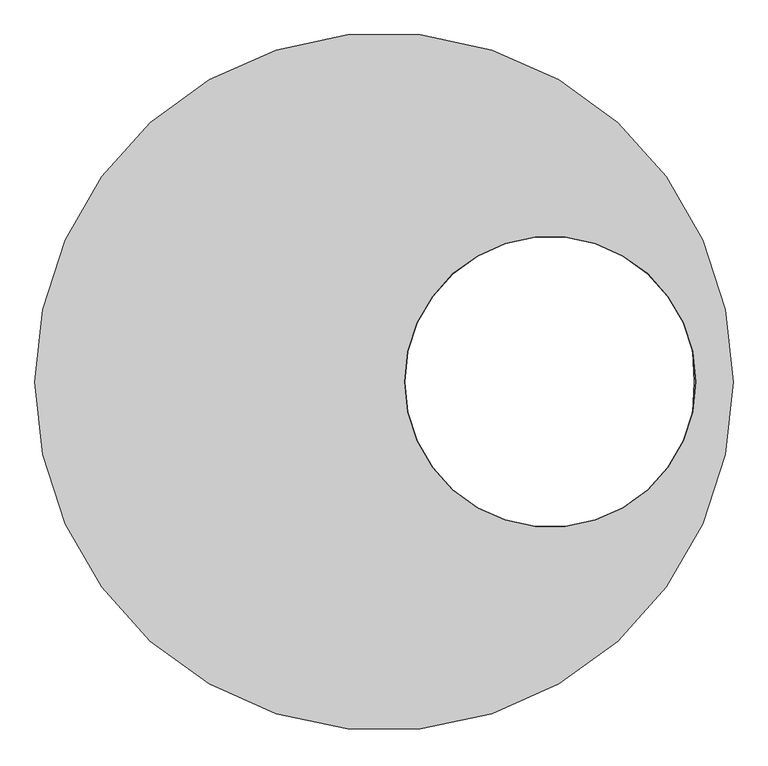
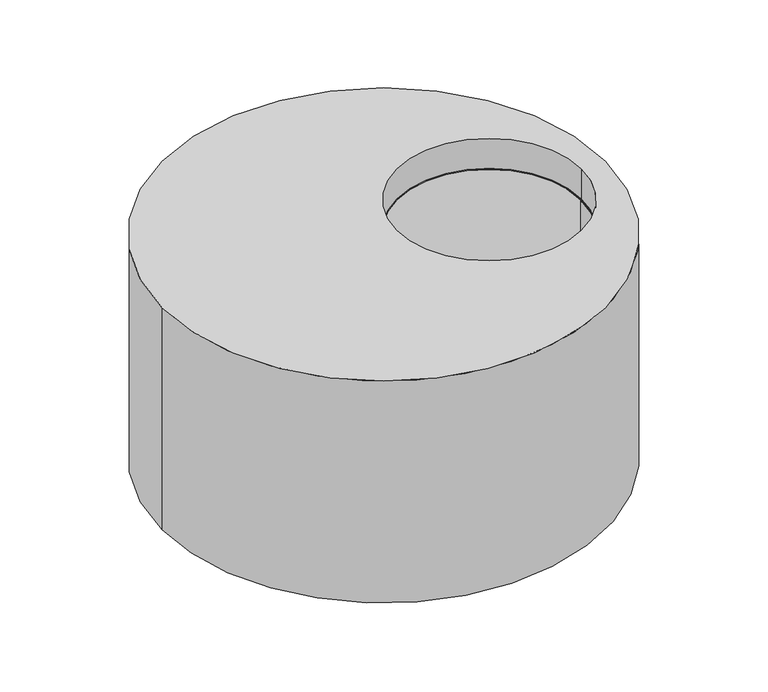
"""IFC4 building model written with IfcOpenShell, lengths in millimetres: proxy geometry."""

from ifc_helpers import new_model, si_unit, frame, origin, origin_with_axes, place, context, project, spatial, polyline, circle_curve, source, transform, mapped, element, save
from ifc_brep_helpers import plane_surface, cylinder_surface, revolved_surface, advanced_brep


def generic_models_10519006(model_context):
    return source(origin(), model_context, "Body", "AdvancedBrep", [
        advanced_brep(
        [(-746.0, 0.0, 766.0), (742.52, 71.9725614, 766.0), (50.0, 0.0, 766.0), (742.52, -71.9725614, 766.0), (-750.0, 0.0, 770.0), (750.0, 0.0, 770.0), (50.0, 0.0, 770.0), (-750.0, 0.0, 766.0), (750.0, 0.0, 766.0), (-750.0, 0.0, 0.0), (750.0, 0.0, 0.0), (-746.0, 0.0, 0.0), (746.0, 0.0, 0.0), (746.0, 0.0, 766.0), (750.0, 0.0, 766.0)],
        [
            (0, 1, circle_curve(frame((0.0, 0.0, 766.0), z_axis=(0.0, 0.0, -1.0), x_axis=(1.0, 0.0, 0.0)), 746.0)),
            (1, 2, circle_curve(frame((400.0, 0.0, 766.0), z_axis=(0.0, 0.0, 1.0), x_axis=(1.0, 0.0, 0.0)), 350.0)),
            (2, 3, circle_curve(frame((400.0, 0.0, 766.0), z_axis=(0.0, 0.0, 1.0), x_axis=(1.0, 0.0, 0.0)), 350.0)),
            (3, 0, circle_curve(frame((0.0, 0.0, 766.0), z_axis=(0.0, 0.0, -1.0), x_axis=(1.0, 0.0, 0.0)), 746.0)),
            (4, 5, circle_curve(frame((0.0, 0.0, 770.0), z_axis=(0.0, 0.0, 1.0), x_axis=(1.0, 0.0, 0.0)), 750.0)),
            (5, 6, circle_curve(frame((400.0, 0.0, 770.0), z_axis=(0.0, 0.0, -1.0), x_axis=(1.0, 0.0, 0.0)), 350.0)),
            (6, 5, circle_curve(frame((400.0, 0.0, 770.0), z_axis=(0.0, 0.0, -1.0), x_axis=(1.0, 0.0, 0.0)), 350.0)),
            (5, 4, circle_curve(frame((0.0, 0.0, 770.0), z_axis=(0.0, 0.0, 1.0), x_axis=(1.0, 0.0, 0.0)), 750.0)),
            (4, 7),
            (7, 8, circle_curve(frame((0.0, 0.0, 766.0), z_axis=(0.0, 0.0, 1.0), x_axis=(1.0, 0.0, 0.0)), 750.0)),
            (8, 5),
            (8, 7, circle_curve(frame((0.0, 0.0, 766.0), z_axis=(0.0, 0.0, 1.0), x_axis=(1.0, 0.0, 0.0)), 750.0)),
            (9, 10, circle_curve(frame((0.0, 0.0, 0.0), z_axis=(0.0, 0.0, -1.0), x_axis=(1.0, 0.0, 0.0)), 750.0)),
            (10, 9, circle_curve(frame((0.0, 0.0, 0.0), z_axis=(0.0, 0.0, -1.0), x_axis=(1.0, 0.0, 0.0)), 750.0)),
            (11, 12, circle_curve(origin_with_axes(), 746.0)),
            (12, 11, circle_curve(origin_with_axes(), 746.0)),
            (10, 8),
            (7, 9),
            (12, 13),
            (13, 1, circle_curve(frame((0.0, 0.0, 766.0), z_axis=(0.0, 0.0, 1.0), x_axis=(1.0, 0.0, 0.0)), 746.0)),
            (0, 11),
            (3, 13, circle_curve(frame((0.0, 0.0, 766.0), z_axis=(0.0, 0.0, 1.0), x_axis=(1.0, 0.0, 0.0)), 746.0)),
            (14, 3, circle_curve(frame((400.0, 0.0, 766.0), z_axis=(0.0, 0.0, -1.0), x_axis=(1.0, 0.0, 0.0)), 350.0)),
            (2, 6),
            (5, 14),
            (1, 14, circle_curve(frame((400.0, 0.0, 766.0), z_axis=(0.0, 0.0, -1.0), x_axis=(1.0, 0.0, 0.0)), 350.0)),
        ],
        [
            plane_surface(frame((750.0, 0.0, 766.0), z_axis=(0.0, 0.0, -1.0), x_axis=(0.0, -1.0, 0.0))),
            plane_surface(frame((750.0, 0.0, 770.0), z_axis=(0.0, 0.0, 1.0), x_axis=(0.0, 1.0, 0.0))),
            cylinder_surface(frame((0.0, 0.0, 766.0), z_axis=(0.0, 0.0, 1.0), x_axis=(1.0, 0.0, 0.0)), 750.0),
            plane_surface(frame((750.0, 0.0, 0.0), z_axis=(0.0, 0.0, -1.0), x_axis=(0.0, -1.0, 0.0))),
            cylinder_surface(origin_with_axes(), 750.0),
            revolved_surface(polyline([(746.0, 0.0, 0.0), (746.0, 0.0, 766.0)]), (0.0, 0.0, 0.0), (0.0, 0.0, -1.0)),
            revolved_surface(polyline([(750.0, 0.0, 770.0), (750.0, 0.0, 766.0)]), (400.0, 0.0, 766.0), (0.0, 0.0, 1.0)),
            plane_surface(frame((750.0, 0.0, 766.0), z_axis=(0.0, 0.0, 1.0), x_axis=(0.0, -1.0, 0.0))),
        ],
        [
            (0, [[1, 2, 3, 4]]),
            (1, [[5, 6, 7, 8]]),
            (2, [[-5, 9, 10, 11]]),
            (2, [[-8, -11, 12, -9]]),
            (3, [[13, 14], [15, 16]]),
            (4, [[-14, 17, -10, 18]]),
            (4, [[-13, -18, -12, -17]]),
            (5, [[-16, 19, 20, -1, 21]]),
            (5, [[-15, -21, -4, 22, -19]]),
            (6, [[23, -3, 24, -6, 25]]),
            (6, [[26, -25, -7, -24, -2]]),
            (7, [[-26, -20, -22, -23]]),
        ],
    ),
        advanced_brep(
        [(-840.0, 0.0, 890.0), (840.0, 0.0, 890.0), (750.0, 0.0, 890.0), (50.0, 0.0, 890.0), (-840.0, 0.0, 0.0), (840.0, 0.0, 0.0), (-750.0, 0.0, 0.0), (750.0, 0.0, 0.0), (-750.0, 0.0, 770.0), (750.0, 0.0, 770.0), (50.0, 0.0, 770.0), (750.0, 0.0, 766.0)],
        [
            (0, 1, circle_curve(frame((0.0, 0.0, 890.0), z_axis=(0.0, 0.0, 1.0), x_axis=(1.0, 0.0, 0.0)), 840.0)),
            (1, 0, circle_curve(frame((0.0, 0.0, 890.0), z_axis=(0.0, 0.0, 1.0), x_axis=(1.0, 0.0, 0.0)), 840.0)),
            (2, 3, circle_curve(frame((400.0, 0.0, 890.0), z_axis=(0.0, 0.0, -1.0), x_axis=(1.0, 0.0, 0.0)), 350.0)),
            (3, 2, circle_curve(frame((400.0, 0.0, 890.0), z_axis=(0.0, 0.0, -1.0), x_axis=(1.0, 0.0, 0.0)), 350.0)),
            (4, 5, circle_curve(frame((0.0, 0.0, 0.0), z_axis=(0.0, 0.0, -1.0), x_axis=(1.0, 0.0, 0.0)), 840.0)),
            (5, 4, circle_curve(frame((0.0, 0.0, 0.0), z_axis=(0.0, 0.0, -1.0), x_axis=(1.0, 0.0, 0.0)), 840.0)),
            (6, 7, circle_curve(origin_with_axes(), 750.0)),
            (7, 6, circle_curve(origin_with_axes(), 750.0)),
            (0, 4),
            (5, 1),
            (8, 9, circle_curve(frame((0.0, 0.0, 770.0), z_axis=(0.0, 0.0, -1.0), x_axis=(1.0, 0.0, 0.0)), 750.0)),
            (9, 10, circle_curve(frame((400.0, 0.0, 770.0), z_axis=(0.0, 0.0, 1.0), x_axis=(1.0, 0.0, 0.0)), 350.0)),
            (10, 9, circle_curve(frame((400.0, 0.0, 770.0), z_axis=(0.0, 0.0, 1.0), x_axis=(1.0, 0.0, 0.0)), 350.0)),
            (9, 8, circle_curve(frame((0.0, 0.0, 770.0), z_axis=(0.0, 0.0, -1.0), x_axis=(1.0, 0.0, 0.0)), 750.0)),
            (9, 11),
            (11, 7),
            (6, 8),
            (2, 9),
            (10, 3),
        ],
        [
            plane_surface(frame((840.0, 0.0, 890.0), z_axis=(0.0, 0.0, 1.0), x_axis=(0.0, 1.0, 0.0))),
            plane_surface(frame((840.0, 0.0, 0.0), z_axis=(0.0, 0.0, -1.0), x_axis=(0.0, -1.0, 0.0))),
            cylinder_surface(origin_with_axes(), 840.0),
            plane_surface(frame((750.0, 0.0, 770.0), z_axis=(0.0, 0.0, -1.0), x_axis=(0.0, 1.0, 0.0))),
            revolved_surface(polyline([(750.0, 0.0, 770.0), (750.0, 0.0, 0.0)]), (0.0, 0.0, 0.0), (0.0, 0.0, 1.0)),
            revolved_surface(polyline([(750.0, 0.0, 890.0), (750.0, 0.0, 770.0)]), (400.0, 0.0, 766.0), (0.0, 0.0, 1.0)),
        ],
        [
            (0, [[1, 2], [3, 4]]),
            (1, [[5, 6], [7, 8]]),
            (2, [[-1, 9, -6, 10]]),
            (2, [[-2, -10, -5, -9]]),
            (3, [[11, 12, 13, 14]]),
            (4, [[-14, 15, 16, -7, 17]]),
            (4, [[-11, -17, -8, -16, -15]]),
            (5, [[18, -13, 19, -3]]),
            (5, [[-18, -4, -19, -12]]),
        ],
    ),
    ])


if __name__ == "__main__":
    model = new_model("IFC4")
    model_context = context("Model", 3, world=origin())
    ifc_project = project(units=[si_unit("LENGTHUNIT", "METRE", prefix="MILLI")], contexts=[model_context])
    site = spatial("IfcSite", under=ifc_project)
    building = spatial("IfcBuilding", under=site)
    placement = place(None, origin())
    generic_models_shape = generic_models_10519006(model_context)
    element("IfcBuildingElementProxy", 1, Name="Generic Models", at=placement, inside=building, context=model_context, shape_type="MappedRepresentation", body=[
        mapped(generic_models_shape, transform((0.0, 0.0, 0.0), x_axis=(1.0, 0.0, 0.0), y_axis=(0.0, 1.0, 0.0), z_axis=(0.0, 0.0, 1.0))),
    ])
    save(model, "model.ifc")
